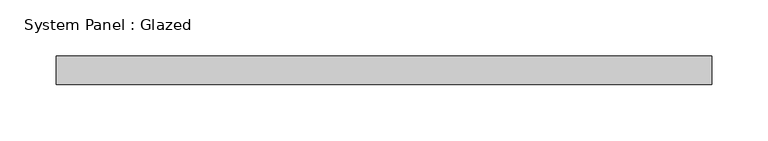
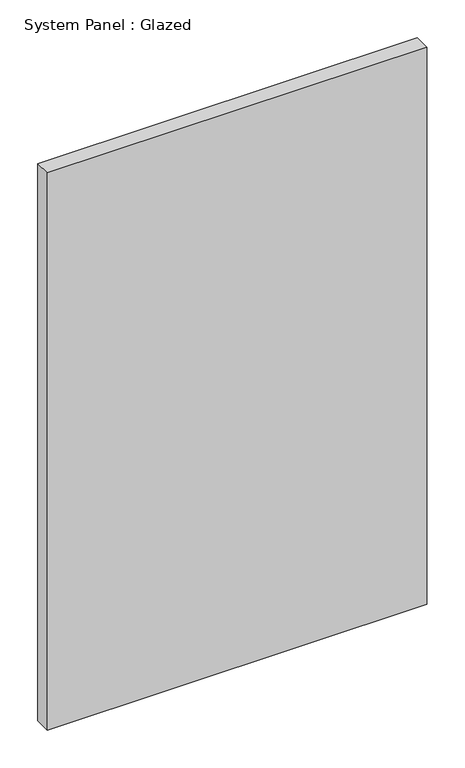
"""IFC4 building model written with IfcOpenShell, lengths in millimetres: plate geometry, System Panel : Glazed."""

from ifc_helpers import new_model, si_unit, origin, origin_with_axes, place, context, project, spatial, polyline, outline, extrude, source, transform, mapped, element, save


def system_panel_glazed_6de1c7ed(model_context):
    return source(origin(), model_context, "Body", "SweptSolid", [
        extrude(outline(polyline([(290.0, 24.5), (-290.0, 24.5), (-290.0, 49.5), (290.0, 49.5), (290.0, 24.5)])), origin_with_axes(), (0.0, 0.0, 1.0), 900.0),
    ])


if __name__ == "__main__":
    model = new_model("IFC4")
    model_context = context("Model", 3, world=origin())
    ifc_project = project(units=[si_unit("LENGTHUNIT", "METRE", prefix="MILLI")], contexts=[model_context])
    site = spatial("IfcSite", under=ifc_project)
    building = spatial("IfcBuilding", under=site)
    placement = place(None, origin())
    system_panel_glazed_shape = system_panel_glazed_6de1c7ed(model_context)
    element("IfcPlate", 1, ObjectType="System Panel : Glazed", at=placement, inside=building, context=model_context, shape_type="MappedRepresentation", body=[
        mapped(system_panel_glazed_shape, transform((0.0, 0.0, 0.0), x_axis=(1.0, 0.0, 0.0), y_axis=(0.0, 1.0, 0.0), z_axis=(0.0, 0.0, 1.0))),
    ])
    save(model, "model.ifc")
